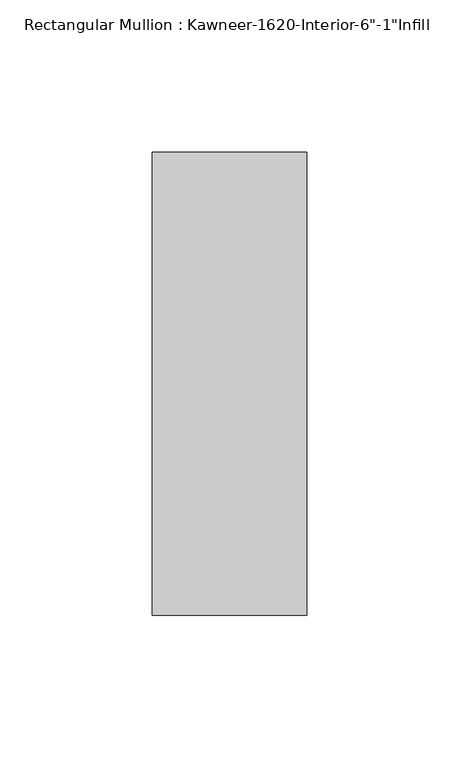
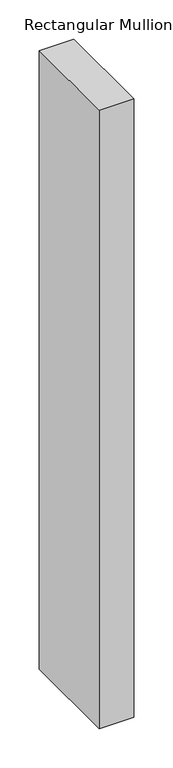
"""IFC4 building model written with IfcOpenShell, lengths in millimetres: member geometry."""

from ifc_helpers import new_model, si_unit, frame, origin, place, context, project, spatial, polyline, outline, extrude, source, transform, mapped, element, save


def member_a73a716a(model_context):
    return source(origin(), model_context, "Body", "SweptSolid", [
        extrude(outline(polyline([(25.4, -114.3), (-25.4, -114.3), (-25.4, 38.1), (25.4, 38.1), (25.4, -114.3)])), frame((0.0, 0.0, -962.025), z_axis=(0.0, 0.0, 1.0), x_axis=(1.0, 0.0, 0.0)), (0.0, 0.0, 1.0), 962.025),
    ])


if __name__ == "__main__":
    model = new_model("IFC4")
    model_context = context("Model", 3, world=origin())
    ifc_project = project(units=[si_unit("LENGTHUNIT", "METRE", prefix="MILLI")], contexts=[model_context])
    site = spatial("IfcSite", under=ifc_project)
    building = spatial("IfcBuilding", under=site)
    placement = place(None, origin())
    member_shape = member_a73a716a(model_context)
    element("IfcMember", 1, ObjectType="Rectangular Mullion : Kawneer-1620-Interior-6\"-1\"Infill", at=placement, inside=building, context=model_context, shape_type="MappedRepresentation", body=[
        mapped(member_shape, transform((0.0, 0.0, 0.0), x_axis=(1.0, 0.0, 0.0), y_axis=(0.0, 1.0, 0.0), z_axis=(0.0, 0.0, 1.0))),
    ])
    save(model, "model.ifc")
